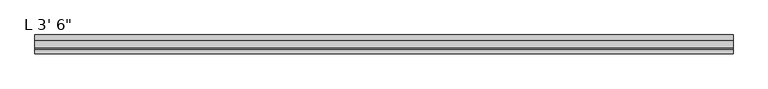
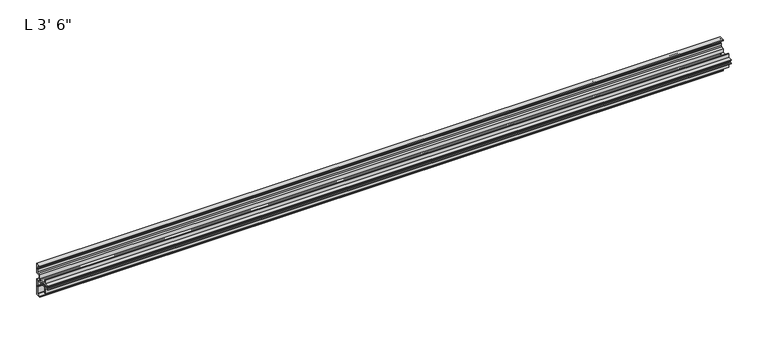
"""IFC4 building model written with IfcOpenShell, lengths in millimetres: proxy geometry."""

from ifc_helpers import new_model, si_unit, point, frame, frame_2d, origin, place, context, project, spatial, polyline, circle_curve, trimmed, segment, composite_curve, outline, extrude, source, transform, mapped, element, save


def proxy_a2247620(model_context):
    return source(origin(), model_context, "Body", "SweptSolid", [
        extrude(outline(composite_curve([segment(trimmed(circle_curve(frame_2d((-3.175, 22.0158473)), 1.5875), [point((-1.5875, 22.0158473))], [point((-3.175, 23.6033473))], True, "CARTESIAN"), True, "CONTINUOUS"), segment(polyline([(-3.175, 23.6033473), (-20.6375, 23.6033473), (-20.6375, 14.2875), (-22.225, 14.2875), (-22.225, 23.6033473), (-28.575, 23.6033473), (-28.575, 24.4847343)]), True, "CONTINUOUS"), segment(trimmed(circle_curve(frame_2d((-27.5329197, 24.4847343)), 1.0420803), [point((-28.575, 24.4847343))], [point((-27.2284303, 25.4813372))], False, "CARTESIAN"), True, "CONTINUOUS"), segment(polyline([(-27.2284303, 25.4813372), (-26.2928712, 25.1954983), (-25.3449302, 25.4494983), (-24.5135808, 25.1954983), (-23.5656399, 25.4494983), (-22.7342904, 25.1954983), (-21.7863495, 25.4494983), (-20.984951, 25.2046492), (-20.0711615, 25.4494983), (-19.2398121, 25.1954983), (-18.2918712, 25.4494983), (-17.4605217, 25.1954983), (-16.5125808, 25.4494983), (-15.6812313, 25.1954983), (-14.7332904, 25.4494983), (-13.9019409, 25.1954983), (-12.954, 25.4494983), (-12.954, 28.624498), (-13.9019409, 28.878498), (-14.7332904, 28.624498), (-15.6812313, 28.878498), (-16.5125808, 28.624498), (-17.4605217, 28.878498), (-18.2918712, 28.624498), (-19.2398121, 28.878498), (-20.0711615, 28.624498), (-20.984951, 28.8693472), (-21.7863495, 28.624498), (-22.7342904, 28.878498), (-23.5656399, 28.624498), (-24.5135808, 28.878498), (-25.3449302, 28.624498), (-26.2928712, 28.878498), (-27.2284303, 28.5926591)]), True, "CONTINUOUS"), segment(trimmed(circle_curve(frame_2d((-27.5329197, 29.5892621)), 1.0420803), [point((-27.2284303, 28.5926591))], [point((-28.575, 29.5892621))], False, "CARTESIAN"), True, "CONTINUOUS"), segment(polyline([(-28.575, 29.5892621), (-28.575, 30.465998), (-22.225, 30.465998), (-22.225, 36.4871), (-20.6375, 36.4871), (-20.6375, 30.465998), (-7.9375, 30.465998), (-7.9375, 36.4871), (-3.175, 36.4871)]), True, "CONTINUOUS"), segment(trimmed(circle_curve(frame_2d((-3.175, 38.0746)), 1.5875), [point((-3.175, 36.4871))], [point((-1.5875, 38.0746))], True, "CARTESIAN"), True, "CONTINUOUS"), segment(polyline([(-1.5875, 38.0746), (-1.5875, 41.7136308), (-1.2699562, 42.4268459), (-1.2699562, 43.2473541), (-1.5875, 43.9605692), (-1.5875, 48.39208)]), True, "CONTINUOUS"), segment(trimmed(circle_curve(frame_2d((-2.38252, 48.39208)), 0.79502), [point((-1.5875, 48.39208))], [point((-2.38252, 49.1871))], True, "CARTESIAN"), True, "CONTINUOUS"), segment(polyline([(-2.38252, 49.1871), (-7.9375, 49.1871), (-7.9375, 50.7746), (0.0, 50.7746), (0.0, 34.8996), (-4.7625, 34.8996)]), True, "CONTINUOUS"), segment(trimmed(circle_curve(frame_2d((-4.7625, 33.3121)), 1.5875), [point((-4.7625, 34.8996))], [point((-6.35, 33.3121))], True, "CARTESIAN"), True, "CONTINUOUS"), segment(polyline([(-6.35, 33.3121), (-6.35, 29.673518)]), True, "CONTINUOUS"), segment(trimmed(circle_curve(frame_2d((-7.14502, 29.673518)), 0.79502), [point((-6.35, 29.673518))], [point((-7.14502, 28.878498))], False, "CARTESIAN"), True, "CONTINUOUS"), segment(polyline([(-7.14502, 28.878498), (-9.8669571, 28.878498)]), True, "CONTINUOUS"), segment(trimmed(circle_curve(frame_2d((-9.8669571, 28.083478)), 0.79502), [point((-9.8669571, 28.878498))], [point((-10.6619771, 28.083478))], True, "CARTESIAN"), True, "CONTINUOUS"), segment(polyline([(-10.6619771, 28.083478), (-10.6619771, 25.9905183)]), True, "CONTINUOUS"), segment(trimmed(circle_curve(frame_2d((-9.8669571, 25.9905183)), 0.79502), [point((-10.6619771, 25.9905183))], [point((-9.8669571, 25.1954983))], True, "CARTESIAN"), True, "CONTINUOUS"), segment(polyline([(-9.8669571, 25.1954983), (0.0, 25.1954983), (0.0, 0.0), (-7.9375, 0.0), (-7.9375, 1.5875), (-2.38252, 1.5875)]), True, "CONTINUOUS"), segment(trimmed(circle_curve(frame_2d((-2.38252, 2.38252)), 0.79502), [point((-2.38252, 1.5875))], [point((-1.5875, 2.38252))], True, "CARTESIAN"), True, "CONTINUOUS"), segment(polyline([(-1.5875, 2.38252), (-1.5875, 13.1640308), (-1.2699562, 13.8772459), (-1.2699562, 14.6977541), (-1.5875, 15.4109692), (-1.5875, 22.0158473)]), True, "CONTINUOUS")], self_intersect=False)), frame((0.0, 0.0, 0.0), z_axis=(1.0, 0.0, 0.0), x_axis=(0.0, 1.0, 0.0)), (0.0, 0.0, 1.0), 1066.8),
    ])


if __name__ == "__main__":
    model = new_model("IFC4")
    model_context = context("Model", 3, world=origin())
    ifc_project = project(units=[si_unit("LENGTHUNIT", "METRE", prefix="MILLI")], contexts=[model_context])
    site = spatial("IfcSite", under=ifc_project)
    building = spatial("IfcBuilding", under=site)
    placement = place(None, origin())
    proxy_shape = proxy_a2247620(model_context)
    element("IfcBuildingElementProxy", 1, Name="L 3' 6\"", ObjectType="L 3' 6\"", at=placement, inside=building, context=model_context, shape_type="MappedRepresentation", body=[
        mapped(proxy_shape, transform((0.0, 0.0, 0.0), x_axis=(1.0, 0.0, 0.0), y_axis=(0.0, 1.0, 0.0), z_axis=(0.0, 0.0, 1.0))),
    ])
    save(model, "model.ifc")
